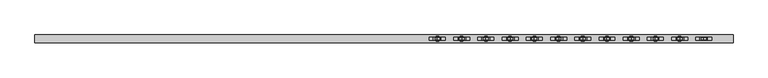
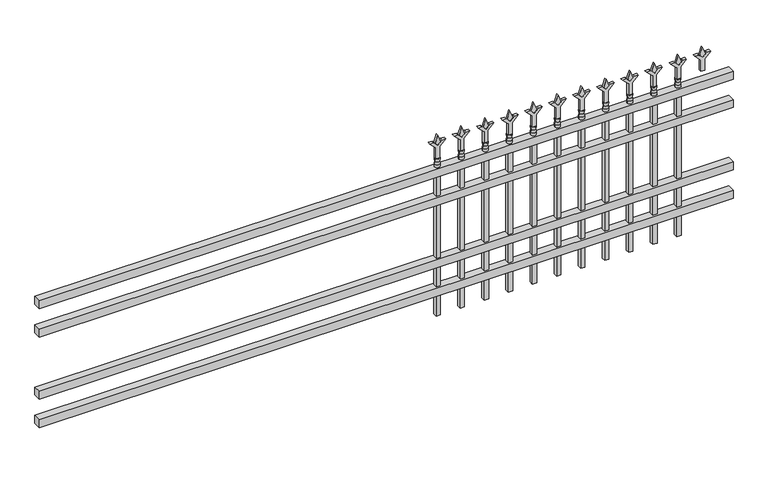
"""IFC4 building model written with IfcOpenShell, lengths in millimetres: railing geometry."""

from ifc_helpers import new_model, si_unit, frame, origin, place, context, project, spatial, polyline, circle_curve, outline, extrude, source, transform, mapped, element, save
from ifc_brep_helpers import plane_surface, cylinder_surface, revolved_surface, advanced_brep


def railing_3f491ea8(model_context):
    return source(origin(), model_context, "Body", "SolidModel", [
        extrude(outline(polyline([(-950.8050134, 7020.1574518), (-950.8050134, 7055.0824518), (2198.7949866, 7055.0824518), (2198.7949866, 7020.1574518), (-950.8050134, 7020.1574518)])), frame((0.0, 0.0, 12915.9), z_axis=(0.0, 0.0, 1.0), x_axis=(1.0, 0.0, 0.0)), (0.0, 0.0, 1.0), 38.1),
        extrude(outline(polyline([(-950.8050134, 7020.1574518), (-950.8050134, 7055.0824518), (2198.7949866, 7055.0824518), (2198.7949866, 7020.1574518), (-950.8050134, 7020.1574518)])), frame((0.0, 0.0, 12779.375), z_axis=(0.0, 0.0, 1.0), x_axis=(1.0, 0.0, 0.0)), (0.0, 0.0, 1.0), 38.1),
        extrude(outline(polyline([(-950.8050134, 7020.1574518), (-950.8050134, 7055.0824518), (2198.7949866, 7055.0824518), (2198.7949866, 7020.1574518), (-950.8050134, 7020.1574518)])), frame((0.0, 0.0, 12480.925), z_axis=(0.0, 0.0, 1.0), x_axis=(1.0, 0.0, 0.0)), (0.0, 0.0, 1.0), 38.1),
        extrude(outline(polyline([(-950.8050134, 7020.1574518), (-950.8050134, 7055.0824518), (2198.7949866, 7055.0824518), (2198.7949866, 7020.1574518), (-950.8050134, 7020.1574518)])), frame((0.0, 0.0, 12344.4), z_axis=(0.0, 0.0, 1.0), x_axis=(1.0, 0.0, 0.0)), (0.0, 0.0, 1.0), 38.1),
        extrude(outline(polyline([(13070.68125, 1969.66582), (13106.4, 1957.75957), (13070.68125, 1945.85332), (13058.775, 1957.75957), (13070.68125, 1969.66582)])), frame((0.0, 7032.8574518, 0.0), z_axis=(0.0, 1.0, 0.0), x_axis=(0.0, 0.0, 1.0)), (0.0, 0.0, 1.0), 9.525),
        extrude(outline(polyline([(12995.275, 1966.49082), (13049.5457378, 1966.49082), (13076.7355122, 1993.6805944), (13076.7355122, 1975.7200822), (13058.775, 1957.75957), (13076.7355122, 1939.7990577), (13076.7355122, 1921.8385455), (13049.5457378, 1949.02832), (12995.275, 1949.02832), (12995.275, 1966.49082)])), frame((0.0, 7031.2699518, 0.0), z_axis=(0.0, 1.0, 0.0), x_axis=(0.0, 0.0, 1.0)), (0.0, 0.0, 1.0), 12.7),
        advanced_brep(
        [(1969.66582, 7037.6199518, 12966.7), (1945.85332, 7037.6199518, 12966.7), (1945.85332, 7037.6199518, 12954.0), (1969.66582, 7037.6199518, 12954.0), (1967.4604881, 7037.6199518, 12979.2070585), (1948.0586518, 7037.6199518, 12979.2070585), (1969.66582, 7037.6199518, 12995.275), (1945.85332, 7037.6199518, 12995.275), (1957.75957, 7037.6199518, 12995.275), (1957.75957, 7037.6199518, 12954.0)],
        [
            (0, 1, circle_curve(frame((1957.75957, 7037.6199518, 12966.7), z_axis=(0.0, 0.0, -1.0), x_axis=(-1.0, 0.0, 0.0)), 11.90625)),
            (1, 2),
            (2, 3, circle_curve(frame((1957.75957, 7037.6199518, 12954.0), z_axis=(0.0, 0.0, 1.0), x_axis=(-1.0, 0.0, 0.0)), 11.90625)),
            (3, 0),
            (1, 0, circle_curve(frame((1957.75957, 7037.6199518, 12966.7), z_axis=(0.0, 0.0, -1.0), x_axis=(-1.0, 0.0, 0.0)), 11.90625)),
            (3, 2, circle_curve(frame((1957.75957, 7037.6199518, 12954.0), z_axis=(0.0, 0.0, 1.0), x_axis=(-1.0, 0.0, 0.0)), 11.90625)),
            (4, 5, circle_curve(frame((1957.75957, 7037.6199518, 12979.2070585), z_axis=(0.0, 0.0, -1.0), x_axis=(-1.0, 0.0, 0.0)), 9.7009181)),
            (5, 1),
            (0, 4),
            (5, 4, circle_curve(frame((1957.75957, 7037.6199518, 12979.2070585), z_axis=(0.0, 0.0, -1.0), x_axis=(-1.0, 0.0, 0.0)), 9.7009181)),
            (6, 7, circle_curve(frame((1957.75957, 7037.6199518, 12995.275), z_axis=(0.0, 0.0, -1.0), x_axis=(-1.0, 0.0, 0.0)), 11.90625)),
            (7, 5),
            (4, 6),
            (7, 6, circle_curve(frame((1957.75957, 7037.6199518, 12995.275), z_axis=(0.0, 0.0, -1.0), x_axis=(-1.0, 0.0, 0.0)), 11.90625)),
            (8, 7),
            (6, 8),
            (2, 9),
            (9, 3),
        ],
        [
            cylinder_surface(frame((1957.75957, 7037.6199518, 12954.0), z_axis=(0.0, 0.0, 1.0), x_axis=(-1.0, 0.0, 0.0)), 11.90625),
            revolved_surface(polyline([(1945.85332, 7037.6199518, 12966.7), (1948.0586518, 7037.6199518, 12979.2070585)]), (1957.75957, 7037.6199518, 12954.0), (0.0, 0.0, 1.0)),
            revolved_surface(polyline([(1948.0586518, 7037.6199518, 12979.2070585), (1945.85332, 7037.6199518, 12995.275)]), (1957.75957, 7037.6199518, 12954.0), (0.0, 0.0, 1.0)),
            plane_surface(frame((1957.75957, 7037.6199518, 12995.275), z_axis=(0.0, 0.0, 1.0), x_axis=(-1.0, 0.0, 0.0))),
            plane_surface(frame((1957.75957, 7037.6199518, 12954.0), z_axis=(0.0, 0.0, -1.0), x_axis=(-1.0, 0.0, 0.0))),
        ],
        [
            (0, [[1, 2, 3, 4]]),
            (0, [[5, -4, 6, -2]]),
            (1, [[7, 8, -1, 9]]),
            (1, [[10, -9, -5, -8]]),
            (2, [[11, 12, -7, 13]]),
            (2, [[14, -13, -10, -12]]),
            (3, [[15, -11, 16]]),
            (3, [[-16, -14, -15]]),
            (4, [[-3, 17, 18]]),
            (4, [[-6, -18, -17]]),
        ],
    ),
        extrude(outline(polyline([(1948.23457, 7047.1449518), (1967.28457, 7047.1449518), (1967.28457, 7028.0949518), (1948.23457, 7028.0949518), (1948.23457, 7047.1449518)])), frame((0.0, 0.0, 12242.8), z_axis=(0.0, 0.0, 1.0), x_axis=(1.0, 0.0, 0.0)), (0.0, 0.0, 1.0), 711.2),
        extrude(outline(polyline([(13070.68125, 1860.3929033), (13106.4, 1848.4866533), (13070.68125, 1836.5804033), (13058.775, 1848.4866533), (13070.68125, 1860.3929033)])), frame((0.0, 7032.8574518, 0.0), z_axis=(0.0, 1.0, 0.0), x_axis=(0.0, 0.0, 1.0)), (0.0, 0.0, 1.0), 9.525),
        extrude(outline(polyline([(12995.275, 1857.2179033), (13049.5457378, 1857.2179033), (13076.7355122, 1884.4076778), (13076.7355122, 1866.4471655), (13058.775, 1848.4866533), (13076.7355122, 1830.526141), (13076.7355122, 1812.5656288), (13049.5457378, 1839.7554033), (12995.275, 1839.7554033), (12995.275, 1857.2179033)])), frame((0.0, 7031.2699518, 0.0), z_axis=(0.0, 1.0, 0.0), x_axis=(0.0, 0.0, 1.0)), (0.0, 0.0, 1.0), 12.7),
        advanced_brep(
        [(1860.3929033, 7037.6199518, 12966.7), (1836.5804033, 7037.6199518, 12966.7), (1836.5804033, 7037.6199518, 12954.0), (1860.3929033, 7037.6199518, 12954.0), (1858.1875714, 7037.6199518, 12979.2070585), (1838.7857351, 7037.6199518, 12979.2070585), (1860.3929033, 7037.6199518, 12995.275), (1836.5804033, 7037.6199518, 12995.275), (1848.4866533, 7037.6199518, 12995.275), (1848.4866533, 7037.6199518, 12954.0)],
        [
            (0, 1, circle_curve(frame((1848.4866533, 7037.6199518, 12966.7), z_axis=(0.0, 0.0, -1.0), x_axis=(-1.0, 0.0, 0.0)), 11.90625)),
            (1, 2),
            (2, 3, circle_curve(frame((1848.4866533, 7037.6199518, 12954.0), z_axis=(0.0, 0.0, 1.0), x_axis=(-1.0, 0.0, 0.0)), 11.90625)),
            (3, 0),
            (1, 0, circle_curve(frame((1848.4866533, 7037.6199518, 12966.7), z_axis=(0.0, 0.0, -1.0), x_axis=(-1.0, 0.0, 0.0)), 11.90625)),
            (3, 2, circle_curve(frame((1848.4866533, 7037.6199518, 12954.0), z_axis=(0.0, 0.0, 1.0), x_axis=(-1.0, 0.0, 0.0)), 11.90625)),
            (4, 5, circle_curve(frame((1848.4866533, 7037.6199518, 12979.2070585), z_axis=(0.0, 0.0, -1.0), x_axis=(-1.0, 0.0, 0.0)), 9.7009181)),
            (5, 1),
            (0, 4),
            (5, 4, circle_curve(frame((1848.4866533, 7037.6199518, 12979.2070585), z_axis=(0.0, 0.0, -1.0), x_axis=(-1.0, 0.0, 0.0)), 9.7009181)),
            (6, 7, circle_curve(frame((1848.4866533, 7037.6199518, 12995.275), z_axis=(0.0, 0.0, -1.0), x_axis=(-1.0, 0.0, 0.0)), 11.90625)),
            (7, 5),
            (4, 6),
            (7, 6, circle_curve(frame((1848.4866533, 7037.6199518, 12995.275), z_axis=(0.0, 0.0, -1.0), x_axis=(-1.0, 0.0, 0.0)), 11.90625)),
            (8, 7),
            (6, 8),
            (2, 9),
            (9, 3),
        ],
        [
            cylinder_surface(frame((1848.4866533, 7037.6199518, 12954.0), z_axis=(0.0, 0.0, 1.0), x_axis=(-1.0, 0.0, 0.0)), 11.90625),
            revolved_surface(polyline([(1836.5804033, 7037.6199518, 12966.7), (1838.7857351, 7037.6199518, 12979.2070585)]), (1848.4866533, 7037.6199518, 12954.0), (0.0, 0.0, 1.0)),
            revolved_surface(polyline([(1838.7857351, 7037.6199518, 12979.2070585), (1836.5804033, 7037.6199518, 12995.275)]), (1848.4866533, 7037.6199518, 12954.0), (0.0, 0.0, 1.0)),
            plane_surface(frame((1848.4866533, 7037.6199518, 12995.275), z_axis=(0.0, 0.0, 1.0), x_axis=(-1.0, 0.0, 0.0))),
            plane_surface(frame((1848.4866533, 7037.6199518, 12954.0), z_axis=(0.0, 0.0, -1.0), x_axis=(-1.0, 0.0, 0.0))),
        ],
        [
            (0, [[1, 2, 3, 4]]),
            (0, [[5, -4, 6, -2]]),
            (1, [[7, 8, -1, 9]]),
            (1, [[10, -9, -5, -8]]),
            (2, [[11, 12, -7, 13]]),
            (2, [[14, -13, -10, -12]]),
            (3, [[15, -11, 16]]),
            (3, [[-16, -14, -15]]),
            (4, [[-3, 17, 18]]),
            (4, [[-6, -18, -17]]),
        ],
    ),
        extrude(outline(polyline([(1838.9616533, 7047.1449518), (1858.0116533, 7047.1449518), (1858.0116533, 7028.0949518), (1838.9616533, 7028.0949518), (1838.9616533, 7047.1449518)])), frame((0.0, 0.0, 12242.8), z_axis=(0.0, 0.0, 1.0), x_axis=(1.0, 0.0, 0.0)), (0.0, 0.0, 1.0), 711.2),
        extrude(outline(polyline([(13070.68125, 1751.1199866), (13106.4, 1739.2137366), (13070.68125, 1727.3074866), (13058.775, 1739.2137366), (13070.68125, 1751.1199866)])), frame((0.0, 7032.8574518, 0.0), z_axis=(0.0, 1.0, 0.0), x_axis=(0.0, 0.0, 1.0)), (0.0, 0.0, 1.0), 9.525),
        extrude(outline(polyline([(12995.275, 1747.9449866), (13049.5457378, 1747.9449866), (13076.7355122, 1775.1347611), (13076.7355122, 1757.1742489), (13058.775, 1739.2137366), (13076.7355122, 1721.2532244), (13076.7355122, 1703.2927121), (13049.5457378, 1730.4824866), (12995.275, 1730.4824866), (12995.275, 1747.9449866)])), frame((0.0, 7031.2699518, 0.0), z_axis=(0.0, 1.0, 0.0), x_axis=(0.0, 0.0, 1.0)), (0.0, 0.0, 1.0), 12.7),
        advanced_brep(
        [(1751.1199866, 7037.6199518, 12966.7), (1727.3074866, 7037.6199518, 12966.7), (1727.3074866, 7037.6199518, 12954.0), (1751.1199866, 7037.6199518, 12954.0), (1748.9146548, 7037.6199518, 12979.2070585), (1729.5128185, 7037.6199518, 12979.2070585), (1751.1199866, 7037.6199518, 12995.275), (1727.3074866, 7037.6199518, 12995.275), (1739.2137366, 7037.6199518, 12995.275), (1739.2137366, 7037.6199518, 12954.0)],
        [
            (0, 1, circle_curve(frame((1739.2137366, 7037.6199518, 12966.7), z_axis=(0.0, 0.0, -1.0), x_axis=(-1.0, 0.0, 0.0)), 11.90625)),
            (1, 2),
            (2, 3, circle_curve(frame((1739.2137366, 7037.6199518, 12954.0), z_axis=(0.0, 0.0, 1.0), x_axis=(-1.0, 0.0, 0.0)), 11.90625)),
            (3, 0),
            (1, 0, circle_curve(frame((1739.2137366, 7037.6199518, 12966.7), z_axis=(0.0, 0.0, -1.0), x_axis=(-1.0, 0.0, 0.0)), 11.90625)),
            (3, 2, circle_curve(frame((1739.2137366, 7037.6199518, 12954.0), z_axis=(0.0, 0.0, 1.0), x_axis=(-1.0, 0.0, 0.0)), 11.90625)),
            (4, 5, circle_curve(frame((1739.2137366, 7037.6199518, 12979.2070585), z_axis=(0.0, 0.0, -1.0), x_axis=(-1.0, 0.0, 0.0)), 9.7009181)),
            (5, 1),
            (0, 4),
            (5, 4, circle_curve(frame((1739.2137366, 7037.6199518, 12979.2070585), z_axis=(0.0, 0.0, -1.0), x_axis=(-1.0, 0.0, 0.0)), 9.7009181)),
            (6, 7, circle_curve(frame((1739.2137366, 7037.6199518, 12995.275), z_axis=(0.0, 0.0, -1.0), x_axis=(-1.0, 0.0, 0.0)), 11.90625)),
            (7, 5),
            (4, 6),
            (7, 6, circle_curve(frame((1739.2137366, 7037.6199518, 12995.275), z_axis=(0.0, 0.0, -1.0), x_axis=(-1.0, 0.0, 0.0)), 11.90625)),
            (8, 7),
            (6, 8),
            (2, 9),
            (9, 3),
        ],
        [
            cylinder_surface(frame((1739.2137366, 7037.6199518, 12954.0), z_axis=(0.0, 0.0, 1.0), x_axis=(-1.0, 0.0, 0.0)), 11.90625),
            revolved_surface(polyline([(1727.3074866, 7037.6199518, 12966.7), (1729.5128185, 7037.6199518, 12979.2070585)]), (1739.2137366, 7037.6199518, 12954.0), (0.0, 0.0, 1.0)),
            revolved_surface(polyline([(1729.5128185, 7037.6199518, 12979.2070585), (1727.3074866, 7037.6199518, 12995.275)]), (1739.2137366, 7037.6199518, 12954.0), (0.0, 0.0, 1.0)),
            plane_surface(frame((1739.2137366, 7037.6199518, 12995.275), z_axis=(0.0, 0.0, 1.0), x_axis=(-1.0, 0.0, 0.0))),
            plane_surface(frame((1739.2137366, 7037.6199518, 12954.0), z_axis=(0.0, 0.0, -1.0), x_axis=(-1.0, 0.0, 0.0))),
        ],
        [
            (0, [[1, 2, 3, 4]]),
            (0, [[5, -4, 6, -2]]),
            (1, [[7, 8, -1, 9]]),
            (1, [[10, -9, -5, -8]]),
            (2, [[11, 12, -7, 13]]),
            (2, [[14, -13, -10, -12]]),
            (3, [[15, -11, 16]]),
            (3, [[-16, -14, -15]]),
            (4, [[-3, 17, 18]]),
            (4, [[-6, -18, -17]]),
        ],
    ),
        extrude(outline(polyline([(1729.6887366, 7047.1449518), (1748.7387366, 7047.1449518), (1748.7387366, 7028.0949518), (1729.6887366, 7028.0949518), (1729.6887366, 7047.1449518)])), frame((0.0, 0.0, 12242.8), z_axis=(0.0, 0.0, 1.0), x_axis=(1.0, 0.0, 0.0)), (0.0, 0.0, 1.0), 711.2),
        extrude(outline(polyline([(13070.68125, 1641.84707), (13106.4, 1629.94082), (13070.68125, 1618.03457), (13058.775, 1629.94082), (13070.68125, 1641.84707)])), frame((0.0, 7032.8574518, 0.0), z_axis=(0.0, 1.0, 0.0), x_axis=(0.0, 0.0, 1.0)), (0.0, 0.0, 1.0), 9.525),
        extrude(outline(polyline([(12995.275, 1638.67207), (13049.5457378, 1638.67207), (13076.7355122, 1665.8618444), (13076.7355122, 1647.9013322), (13058.775, 1629.94082), (13076.7355122, 1611.9803077), (13076.7355122, 1594.0197955), (13049.5457378, 1621.20957), (12995.275, 1621.20957), (12995.275, 1638.67207)])), frame((0.0, 7031.2699518, 0.0), z_axis=(0.0, 1.0, 0.0), x_axis=(0.0, 0.0, 1.0)), (0.0, 0.0, 1.0), 12.7),
        advanced_brep(
        [(1641.84707, 7037.6199518, 12966.7), (1618.03457, 7037.6199518, 12966.7), (1618.03457, 7037.6199518, 12954.0), (1641.84707, 7037.6199518, 12954.0), (1639.6417381, 7037.6199518, 12979.2070585), (1620.2399018, 7037.6199518, 12979.2070585), (1641.84707, 7037.6199518, 12995.275), (1618.03457, 7037.6199518, 12995.275), (1629.94082, 7037.6199518, 12995.275), (1629.94082, 7037.6199518, 12954.0)],
        [
            (0, 1, circle_curve(frame((1629.94082, 7037.6199518, 12966.7), z_axis=(0.0, 0.0, -1.0), x_axis=(-1.0, 0.0, 0.0)), 11.90625)),
            (1, 2),
            (2, 3, circle_curve(frame((1629.94082, 7037.6199518, 12954.0), z_axis=(0.0, 0.0, 1.0), x_axis=(-1.0, 0.0, 0.0)), 11.90625)),
            (3, 0),
            (1, 0, circle_curve(frame((1629.94082, 7037.6199518, 12966.7), z_axis=(0.0, 0.0, -1.0), x_axis=(-1.0, 0.0, 0.0)), 11.90625)),
            (3, 2, circle_curve(frame((1629.94082, 7037.6199518, 12954.0), z_axis=(0.0, 0.0, 1.0), x_axis=(-1.0, 0.0, 0.0)), 11.90625)),
            (4, 5, circle_curve(frame((1629.94082, 7037.6199518, 12979.2070585), z_axis=(0.0, 0.0, -1.0), x_axis=(-1.0, 0.0, 0.0)), 9.7009181)),
            (5, 1),
            (0, 4),
            (5, 4, circle_curve(frame((1629.94082, 7037.6199518, 12979.2070585), z_axis=(0.0, 0.0, -1.0), x_axis=(-1.0, 0.0, 0.0)), 9.7009181)),
            (6, 7, circle_curve(frame((1629.94082, 7037.6199518, 12995.275), z_axis=(0.0, 0.0, -1.0), x_axis=(-1.0, 0.0, 0.0)), 11.90625)),
            (7, 5),
            (4, 6),
            (7, 6, circle_curve(frame((1629.94082, 7037.6199518, 12995.275), z_axis=(0.0, 0.0, -1.0), x_axis=(-1.0, 0.0, 0.0)), 11.90625)),
            (8, 7),
            (6, 8),
            (2, 9),
            (9, 3),
        ],
        [
            cylinder_surface(frame((1629.94082, 7037.6199518, 12954.0), z_axis=(0.0, 0.0, 1.0), x_axis=(-1.0, 0.0, 0.0)), 11.90625),
            revolved_surface(polyline([(1618.03457, 7037.6199518, 12966.7), (1620.2399018, 7037.6199518, 12979.2070585)]), (1629.94082, 7037.6199518, 12954.0), (0.0, 0.0, 1.0)),
            revolved_surface(polyline([(1620.2399018, 7037.6199518, 12979.2070585), (1618.03457, 7037.6199518, 12995.275)]), (1629.94082, 7037.6199518, 12954.0), (0.0, 0.0, 1.0)),
            plane_surface(frame((1629.94082, 7037.6199518, 12995.275), z_axis=(0.0, 0.0, 1.0), x_axis=(-1.0, 0.0, 0.0))),
            plane_surface(frame((1629.94082, 7037.6199518, 12954.0), z_axis=(0.0, 0.0, -1.0), x_axis=(-1.0, 0.0, 0.0))),
        ],
        [
            (0, [[1, 2, 3, 4]]),
            (0, [[5, -4, 6, -2]]),
            (1, [[7, 8, -1, 9]]),
            (1, [[10, -9, -5, -8]]),
            (2, [[11, 12, -7, 13]]),
            (2, [[14, -13, -10, -12]]),
            (3, [[15, -11, 16]]),
            (3, [[-16, -14, -15]]),
            (4, [[-3, 17, 18]]),
            (4, [[-6, -18, -17]]),
        ],
    ),
        extrude(outline(polyline([(1620.41582, 7047.1449518), (1639.46582, 7047.1449518), (1639.46582, 7028.0949518), (1620.41582, 7028.0949518), (1620.41582, 7047.1449518)])), frame((0.0, 0.0, 12242.8), z_axis=(0.0, 0.0, 1.0), x_axis=(1.0, 0.0, 0.0)), (0.0, 0.0, 1.0), 711.2),
        extrude(outline(polyline([(13070.68125, 1532.5741533), (13106.4, 1520.6679033), (13070.68125, 1508.7616533), (13058.775, 1520.6679033), (13070.68125, 1532.5741533)])), frame((0.0, 7032.8574518, 0.0), z_axis=(0.0, 1.0, 0.0), x_axis=(0.0, 0.0, 1.0)), (0.0, 0.0, 1.0), 9.525),
        extrude(outline(polyline([(12995.275, 1529.3991533), (13049.5457378, 1529.3991533), (13076.7355122, 1556.5889278), (13076.7355122, 1538.6284155), (13058.775, 1520.6679033), (13076.7355122, 1502.707391), (13076.7355122, 1484.7468788), (13049.5457378, 1511.9366533), (12995.275, 1511.9366533), (12995.275, 1529.3991533)])), frame((0.0, 7031.2699518, 0.0), z_axis=(0.0, 1.0, 0.0), x_axis=(0.0, 0.0, 1.0)), (0.0, 0.0, 1.0), 12.7),
        advanced_brep(
        [(1532.5741533, 7037.6199518, 12966.7), (1508.7616533, 7037.6199518, 12966.7), (1508.7616533, 7037.6199518, 12954.0), (1532.5741533, 7037.6199518, 12954.0), (1530.3688214, 7037.6199518, 12979.2070585), (1510.9669851, 7037.6199518, 12979.2070585), (1532.5741533, 7037.6199518, 12995.275), (1508.7616533, 7037.6199518, 12995.275), (1520.6679033, 7037.6199518, 12995.275), (1520.6679033, 7037.6199518, 12954.0)],
        [
            (0, 1, circle_curve(frame((1520.6679033, 7037.6199518, 12966.7), z_axis=(0.0, 0.0, -1.0), x_axis=(-1.0, 0.0, 0.0)), 11.90625)),
            (1, 2),
            (2, 3, circle_curve(frame((1520.6679033, 7037.6199518, 12954.0), z_axis=(0.0, 0.0, 1.0), x_axis=(-1.0, 0.0, 0.0)), 11.90625)),
            (3, 0),
            (1, 0, circle_curve(frame((1520.6679033, 7037.6199518, 12966.7), z_axis=(0.0, 0.0, -1.0), x_axis=(-1.0, 0.0, 0.0)), 11.90625)),
            (3, 2, circle_curve(frame((1520.6679033, 7037.6199518, 12954.0), z_axis=(0.0, 0.0, 1.0), x_axis=(-1.0, 0.0, 0.0)), 11.90625)),
            (4, 5, circle_curve(frame((1520.6679033, 7037.6199518, 12979.2070585), z_axis=(0.0, 0.0, -1.0), x_axis=(-1.0, 0.0, 0.0)), 9.7009181)),
            (5, 1),
            (0, 4),
            (5, 4, circle_curve(frame((1520.6679033, 7037.6199518, 12979.2070585), z_axis=(0.0, 0.0, -1.0), x_axis=(-1.0, 0.0, 0.0)), 9.7009181)),
            (6, 7, circle_curve(frame((1520.6679033, 7037.6199518, 12995.275), z_axis=(0.0, 0.0, -1.0), x_axis=(-1.0, 0.0, 0.0)), 11.90625)),
            (7, 5),
            (4, 6),
            (7, 6, circle_curve(frame((1520.6679033, 7037.6199518, 12995.275), z_axis=(0.0, 0.0, -1.0), x_axis=(-1.0, 0.0, 0.0)), 11.90625)),
            (8, 7),
            (6, 8),
            (2, 9),
            (9, 3),
        ],
        [
            cylinder_surface(frame((1520.6679033, 7037.6199518, 12954.0), z_axis=(0.0, 0.0, 1.0), x_axis=(-1.0, 0.0, 0.0)), 11.90625),
            revolved_surface(polyline([(1508.7616533, 7037.6199518, 12966.7), (1510.9669851, 7037.6199518, 12979.2070585)]), (1520.6679033, 7037.6199518, 12954.0), (0.0, 0.0, 1.0)),
            revolved_surface(polyline([(1510.9669851, 7037.6199518, 12979.2070585), (1508.7616533, 7037.6199518, 12995.275)]), (1520.6679033, 7037.6199518, 12954.0), (0.0, 0.0, 1.0)),
            plane_surface(frame((1520.6679033, 7037.6199518, 12995.275), z_axis=(0.0, 0.0, 1.0), x_axis=(-1.0, 0.0, 0.0))),
            plane_surface(frame((1520.6679033, 7037.6199518, 12954.0), z_axis=(0.0, 0.0, -1.0), x_axis=(-1.0, 0.0, 0.0))),
        ],
        [
            (0, [[1, 2, 3, 4]]),
            (0, [[5, -4, 6, -2]]),
            (1, [[7, 8, -1, 9]]),
            (1, [[10, -9, -5, -8]]),
            (2, [[11, 12, -7, 13]]),
            (2, [[14, -13, -10, -12]]),
            (3, [[15, -11, 16]]),
            (3, [[-16, -14, -15]]),
            (4, [[-3, 17, 18]]),
            (4, [[-6, -18, -17]]),
        ],
    ),
        extrude(outline(polyline([(1511.1429033, 7047.1449518), (1530.1929033, 7047.1449518), (1530.1929033, 7028.0949518), (1511.1429033, 7028.0949518), (1511.1429033, 7047.1449518)])), frame((0.0, 0.0, 12242.8), z_axis=(0.0, 0.0, 1.0), x_axis=(1.0, 0.0, 0.0)), (0.0, 0.0, 1.0), 711.2),
        extrude(outline(polyline([(13070.68125, 1423.3012366), (13106.4, 1411.3949866), (13070.68125, 1399.4887366), (13058.775, 1411.3949866), (13070.68125, 1423.3012366)])), frame((0.0, 7032.8574518, 0.0), z_axis=(0.0, 1.0, 0.0), x_axis=(0.0, 0.0, 1.0)), (0.0, 0.0, 1.0), 9.525),
        extrude(outline(polyline([(12995.275, 1420.1262366), (13049.5457378, 1420.1262366), (13076.7355122, 1447.3160111), (13076.7355122, 1429.3554989), (13058.775, 1411.3949866), (13076.7355122, 1393.4344744), (13076.7355122, 1375.4739621), (13049.5457378, 1402.6637366), (12995.275, 1402.6637366), (12995.275, 1420.1262366)])), frame((0.0, 7031.2699518, 0.0), z_axis=(0.0, 1.0, 0.0), x_axis=(0.0, 0.0, 1.0)), (0.0, 0.0, 1.0), 12.7),
        advanced_brep(
        [(1423.3012366, 7037.6199518, 12966.7), (1399.4887366, 7037.6199518, 12966.7), (1399.4887366, 7037.6199518, 12954.0), (1423.3012366, 7037.6199518, 12954.0), (1421.0959048, 7037.6199518, 12979.2070585), (1401.6940685, 7037.6199518, 12979.2070585), (1423.3012366, 7037.6199518, 12995.275), (1399.4887366, 7037.6199518, 12995.275), (1411.3949866, 7037.6199518, 12995.275), (1411.3949866, 7037.6199518, 12954.0)],
        [
            (0, 1, circle_curve(frame((1411.3949866, 7037.6199518, 12966.7), z_axis=(0.0, 0.0, -1.0), x_axis=(-1.0, 0.0, 0.0)), 11.90625)),
            (1, 2),
            (2, 3, circle_curve(frame((1411.3949866, 7037.6199518, 12954.0), z_axis=(0.0, 0.0, 1.0), x_axis=(-1.0, 0.0, 0.0)), 11.90625)),
            (3, 0),
            (1, 0, circle_curve(frame((1411.3949866, 7037.6199518, 12966.7), z_axis=(0.0, 0.0, -1.0), x_axis=(-1.0, 0.0, 0.0)), 11.90625)),
            (3, 2, circle_curve(frame((1411.3949866, 7037.6199518, 12954.0), z_axis=(0.0, 0.0, 1.0), x_axis=(-1.0, 0.0, 0.0)), 11.90625)),
            (4, 5, circle_curve(frame((1411.3949866, 7037.6199518, 12979.2070585), z_axis=(0.0, 0.0, -1.0), x_axis=(-1.0, 0.0, 0.0)), 9.7009181)),
            (5, 1),
            (0, 4),
            (5, 4, circle_curve(frame((1411.3949866, 7037.6199518, 12979.2070585), z_axis=(0.0, 0.0, -1.0), x_axis=(-1.0, 0.0, 0.0)), 9.7009181)),
            (6, 7, circle_curve(frame((1411.3949866, 7037.6199518, 12995.275), z_axis=(0.0, 0.0, -1.0), x_axis=(-1.0, 0.0, 0.0)), 11.90625)),
            (7, 5),
            (4, 6),
            (7, 6, circle_curve(frame((1411.3949866, 7037.6199518, 12995.275), z_axis=(0.0, 0.0, -1.0), x_axis=(-1.0, 0.0, 0.0)), 11.90625)),
            (8, 7),
            (6, 8),
            (2, 9),
            (9, 3),
        ],
        [
            cylinder_surface(frame((1411.3949866, 7037.6199518, 12954.0), z_axis=(0.0, 0.0, 1.0), x_axis=(-1.0, 0.0, 0.0)), 11.90625),
            revolved_surface(polyline([(1399.4887366, 7037.6199518, 12966.7), (1401.6940685, 7037.6199518, 12979.2070585)]), (1411.3949866, 7037.6199518, 12954.0), (0.0, 0.0, 1.0)),
            revolved_surface(polyline([(1401.6940685, 7037.6199518, 12979.2070585), (1399.4887366, 7037.6199518, 12995.275)]), (1411.3949866, 7037.6199518, 12954.0), (0.0, 0.0, 1.0)),
            plane_surface(frame((1411.3949866, 7037.6199518, 12995.275), z_axis=(0.0, 0.0, 1.0), x_axis=(-1.0, 0.0, 0.0))),
            plane_surface(frame((1411.3949866, 7037.6199518, 12954.0), z_axis=(0.0, 0.0, -1.0), x_axis=(-1.0, 0.0, 0.0))),
        ],
        [
            (0, [[1, 2, 3, 4]]),
            (0, [[5, -4, 6, -2]]),
            (1, [[7, 8, -1, 9]]),
            (1, [[10, -9, -5, -8]]),
            (2, [[11, 12, -7, 13]]),
            (2, [[14, -13, -10, -12]]),
            (3, [[15, -11, 16]]),
            (3, [[-16, -14, -15]]),
            (4, [[-3, 17, 18]]),
            (4, [[-6, -18, -17]]),
        ],
    ),
        extrude(outline(polyline([(1401.8699866, 7047.1449518), (1420.9199866, 7047.1449518), (1420.9199866, 7028.0949518), (1401.8699866, 7028.0949518), (1401.8699866, 7047.1449518)])), frame((0.0, 0.0, 12242.8), z_axis=(0.0, 0.0, 1.0), x_axis=(1.0, 0.0, 0.0)), (0.0, 0.0, 1.0), 711.2),
        extrude(outline(polyline([(13070.68125, 1314.02832), (13106.4, 1302.12207), (13070.68125, 1290.21582), (13058.775, 1302.12207), (13070.68125, 1314.02832)])), frame((0.0, 7032.8574518, 0.0), z_axis=(0.0, 1.0, 0.0), x_axis=(0.0, 0.0, 1.0)), (0.0, 0.0, 1.0), 9.525),
        extrude(outline(polyline([(12995.275, 1310.85332), (13049.5457378, 1310.85332), (13076.7355122, 1338.0430944), (13076.7355122, 1320.0825822), (13058.775, 1302.12207), (13076.7355122, 1284.1615577), (13076.7355122, 1266.2010455), (13049.5457378, 1293.39082), (12995.275, 1293.39082), (12995.275, 1310.85332)])), frame((0.0, 7031.2699518, 0.0), z_axis=(0.0, 1.0, 0.0), x_axis=(0.0, 0.0, 1.0)), (0.0, 0.0, 1.0), 12.7),
        advanced_brep(
        [(1314.02832, 7037.6199518, 12966.7), (1290.21582, 7037.6199518, 12966.7), (1290.21582, 7037.6199518, 12954.0), (1314.02832, 7037.6199518, 12954.0), (1311.8229881, 7037.6199518, 12979.2070585), (1292.4211518, 7037.6199518, 12979.2070585), (1314.02832, 7037.6199518, 12995.275), (1290.21582, 7037.6199518, 12995.275), (1302.12207, 7037.6199518, 12995.275), (1302.12207, 7037.6199518, 12954.0)],
        [
            (0, 1, circle_curve(frame((1302.12207, 7037.6199518, 12966.7), z_axis=(0.0, 0.0, -1.0), x_axis=(-1.0, 0.0, 0.0)), 11.90625)),
            (1, 2),
            (2, 3, circle_curve(frame((1302.12207, 7037.6199518, 12954.0), z_axis=(0.0, 0.0, 1.0), x_axis=(-1.0, 0.0, 0.0)), 11.90625)),
            (3, 0),
            (1, 0, circle_curve(frame((1302.12207, 7037.6199518, 12966.7), z_axis=(0.0, 0.0, -1.0), x_axis=(-1.0, 0.0, 0.0)), 11.90625)),
            (3, 2, circle_curve(frame((1302.12207, 7037.6199518, 12954.0), z_axis=(0.0, 0.0, 1.0), x_axis=(-1.0, 0.0, 0.0)), 11.90625)),
            (4, 5, circle_curve(frame((1302.12207, 7037.6199518, 12979.2070585), z_axis=(0.0, 0.0, -1.0), x_axis=(-1.0, 0.0, 0.0)), 9.7009181)),
            (5, 1),
            (0, 4),
            (5, 4, circle_curve(frame((1302.12207, 7037.6199518, 12979.2070585), z_axis=(0.0, 0.0, -1.0), x_axis=(-1.0, 0.0, 0.0)), 9.7009181)),
            (6, 7, circle_curve(frame((1302.12207, 7037.6199518, 12995.275), z_axis=(0.0, 0.0, -1.0), x_axis=(-1.0, 0.0, 0.0)), 11.90625)),
            (7, 5),
            (4, 6),
            (7, 6, circle_curve(frame((1302.12207, 7037.6199518, 12995.275), z_axis=(0.0, 0.0, -1.0), x_axis=(-1.0, 0.0, 0.0)), 11.90625)),
            (8, 7),
            (6, 8),
            (2, 9),
            (9, 3),
        ],
        [
            cylinder_surface(frame((1302.12207, 7037.6199518, 12954.0), z_axis=(0.0, 0.0, 1.0), x_axis=(-1.0, 0.0, 0.0)), 11.90625),
            revolved_surface(polyline([(1290.21582, 7037.6199518, 12966.7), (1292.4211518, 7037.6199518, 12979.2070585)]), (1302.12207, 7037.6199518, 12954.0), (0.0, 0.0, 1.0)),
            revolved_surface(polyline([(1292.4211518, 7037.6199518, 12979.2070585), (1290.21582, 7037.6199518, 12995.275)]), (1302.12207, 7037.6199518, 12954.0), (0.0, 0.0, 1.0)),
            plane_surface(frame((1302.12207, 7037.6199518, 12995.275), z_axis=(0.0, 0.0, 1.0), x_axis=(-1.0, 0.0, 0.0))),
            plane_surface(frame((1302.12207, 7037.6199518, 12954.0), z_axis=(0.0, 0.0, -1.0), x_axis=(-1.0, 0.0, 0.0))),
        ],
        [
            (0, [[1, 2, 3, 4]]),
            (0, [[5, -4, 6, -2]]),
            (1, [[7, 8, -1, 9]]),
            (1, [[10, -9, -5, -8]]),
            (2, [[11, 12, -7, 13]]),
            (2, [[14, -13, -10, -12]]),
            (3, [[15, -11, 16]]),
            (3, [[-16, -14, -15]]),
            (4, [[-3, 17, 18]]),
            (4, [[-6, -18, -17]]),
        ],
    ),
        extrude(outline(polyline([(1292.59707, 7047.1449518), (1311.64707, 7047.1449518), (1311.64707, 7028.0949518), (1292.59707, 7028.0949518), (1292.59707, 7047.1449518)])), frame((0.0, 0.0, 12242.8), z_axis=(0.0, 0.0, 1.0), x_axis=(1.0, 0.0, 0.0)), (0.0, 0.0, 1.0), 711.2),
        extrude(outline(polyline([(13070.68125, 1204.7554033), (13106.4, 1192.8491533), (13070.68125, 1180.9429033), (13058.775, 1192.8491533), (13070.68125, 1204.7554033)])), frame((0.0, 7032.8574518, 0.0), z_axis=(0.0, 1.0, 0.0), x_axis=(0.0, 0.0, 1.0)), (0.0, 0.0, 1.0), 9.525),
        extrude(outline(polyline([(12995.275, 1201.5804033), (13049.5457378, 1201.5804033), (13076.7355122, 1228.7701778), (13076.7355122, 1210.8096655), (13058.775, 1192.8491533), (13076.7355122, 1174.888641), (13076.7355122, 1156.9281288), (13049.5457378, 1184.1179033), (12995.275, 1184.1179033), (12995.275, 1201.5804033)])), frame((0.0, 7031.2699518, 0.0), z_axis=(0.0, 1.0, 0.0), x_axis=(0.0, 0.0, 1.0)), (0.0, 0.0, 1.0), 12.7),
        advanced_brep(
        [(1204.7554033, 7037.6199518, 12966.7), (1180.9429033, 7037.6199518, 12966.7), (1180.9429033, 7037.6199518, 12954.0), (1204.7554033, 7037.6199518, 12954.0), (1202.5500714, 7037.6199518, 12979.2070585), (1183.1482351, 7037.6199518, 12979.2070585), (1204.7554033, 7037.6199518, 12995.275), (1180.9429033, 7037.6199518, 12995.275), (1192.8491533, 7037.6199518, 12995.275), (1192.8491533, 7037.6199518, 12954.0)],
        [
            (0, 1, circle_curve(frame((1192.8491533, 7037.6199518, 12966.7), z_axis=(0.0, 0.0, -1.0), x_axis=(-1.0, 0.0, 0.0)), 11.90625)),
            (1, 2),
            (2, 3, circle_curve(frame((1192.8491533, 7037.6199518, 12954.0), z_axis=(0.0, 0.0, 1.0), x_axis=(-1.0, 0.0, 0.0)), 11.90625)),
            (3, 0),
            (1, 0, circle_curve(frame((1192.8491533, 7037.6199518, 12966.7), z_axis=(0.0, 0.0, -1.0), x_axis=(-1.0, 0.0, 0.0)), 11.90625)),
            (3, 2, circle_curve(frame((1192.8491533, 7037.6199518, 12954.0), z_axis=(0.0, 0.0, 1.0), x_axis=(-1.0, 0.0, 0.0)), 11.90625)),
            (4, 5, circle_curve(frame((1192.8491533, 7037.6199518, 12979.2070585), z_axis=(0.0, 0.0, -1.0), x_axis=(-1.0, 0.0, 0.0)), 9.7009181)),
            (5, 1),
            (0, 4),
            (5, 4, circle_curve(frame((1192.8491533, 7037.6199518, 12979.2070585), z_axis=(0.0, 0.0, -1.0), x_axis=(-1.0, 0.0, 0.0)), 9.7009181)),
            (6, 7, circle_curve(frame((1192.8491533, 7037.6199518, 12995.275), z_axis=(0.0, 0.0, -1.0), x_axis=(-1.0, 0.0, 0.0)), 11.90625)),
            (7, 5),
            (4, 6),
            (7, 6, circle_curve(frame((1192.8491533, 7037.6199518, 12995.275), z_axis=(0.0, 0.0, -1.0), x_axis=(-1.0, 0.0, 0.0)), 11.90625)),
            (8, 7),
            (6, 8),
            (2, 9),
            (9, 3),
        ],
        [
            cylinder_surface(frame((1192.8491533, 7037.6199518, 12954.0), z_axis=(0.0, 0.0, 1.0), x_axis=(-1.0, 0.0, 0.0)), 11.90625),
            revolved_surface(polyline([(1180.9429033, 7037.6199518, 12966.7), (1183.1482351, 7037.6199518, 12979.2070585)]), (1192.8491533, 7037.6199518, 12954.0), (0.0, 0.0, 1.0)),
            revolved_surface(polyline([(1183.1482351, 7037.6199518, 12979.2070585), (1180.9429033, 7037.6199518, 12995.275)]), (1192.8491533, 7037.6199518, 12954.0), (0.0, 0.0, 1.0)),
            plane_surface(frame((1192.8491533, 7037.6199518, 12995.275), z_axis=(0.0, 0.0, 1.0), x_axis=(-1.0, 0.0, 0.0))),
            plane_surface(frame((1192.8491533, 7037.6199518, 12954.0), z_axis=(0.0, 0.0, -1.0), x_axis=(-1.0, 0.0, 0.0))),
        ],
        [
            (0, [[1, 2, 3, 4]]),
            (0, [[5, -4, 6, -2]]),
            (1, [[7, 8, -1, 9]]),
            (1, [[10, -9, -5, -8]]),
            (2, [[11, 12, -7, 13]]),
            (2, [[14, -13, -10, -12]]),
            (3, [[15, -11, 16]]),
            (3, [[-16, -14, -15]]),
            (4, [[-3, 17, 18]]),
            (4, [[-6, -18, -17]]),
        ],
    ),
        extrude(outline(polyline([(1183.3241533, 7047.1449518), (1202.3741533, 7047.1449518), (1202.3741533, 7028.0949518), (1183.3241533, 7028.0949518), (1183.3241533, 7047.1449518)])), frame((0.0, 0.0, 12242.8), z_axis=(0.0, 0.0, 1.0), x_axis=(1.0, 0.0, 0.0)), (0.0, 0.0, 1.0), 711.2),
        extrude(outline(polyline([(13070.68125, 1095.4824866), (13106.4, 1083.5762366), (13070.68125, 1071.6699866), (13058.775, 1083.5762366), (13070.68125, 1095.4824866)])), frame((0.0, 7032.8574518, 0.0), z_axis=(0.0, 1.0, 0.0), x_axis=(0.0, 0.0, 1.0)), (0.0, 0.0, 1.0), 9.525),
        extrude(outline(polyline([(12995.275, 1092.3074866), (13049.5457378, 1092.3074866), (13076.7355122, 1119.4972611), (13076.7355122, 1101.5367489), (13058.775, 1083.5762366), (13076.7355122, 1065.6157244), (13076.7355122, 1047.6552121), (13049.5457378, 1074.8449866), (12995.275, 1074.8449866), (12995.275, 1092.3074866)])), frame((0.0, 7031.2699518, 0.0), z_axis=(0.0, 1.0, 0.0), x_axis=(0.0, 0.0, 1.0)), (0.0, 0.0, 1.0), 12.7),
        advanced_brep(
        [(1095.4824866, 7037.6199518, 12966.7), (1071.6699866, 7037.6199518, 12966.7), (1071.6699866, 7037.6199518, 12954.0), (1095.4824866, 7037.6199518, 12954.0), (1093.2771548, 7037.6199518, 12979.2070585), (1073.8753185, 7037.6199518, 12979.2070585), (1095.4824866, 7037.6199518, 12995.275), (1071.6699866, 7037.6199518, 12995.275), (1083.5762366, 7037.6199518, 12995.275), (1083.5762366, 7037.6199518, 12954.0)],
        [
            (0, 1, circle_curve(frame((1083.5762366, 7037.6199518, 12966.7), z_axis=(0.0, 0.0, -1.0), x_axis=(-1.0, 0.0, 0.0)), 11.90625)),
            (1, 2),
            (2, 3, circle_curve(frame((1083.5762366, 7037.6199518, 12954.0), z_axis=(0.0, 0.0, 1.0), x_axis=(-1.0, 0.0, 0.0)), 11.90625)),
            (3, 0),
            (1, 0, circle_curve(frame((1083.5762366, 7037.6199518, 12966.7), z_axis=(0.0, 0.0, -1.0), x_axis=(-1.0, 0.0, 0.0)), 11.90625)),
            (3, 2, circle_curve(frame((1083.5762366, 7037.6199518, 12954.0), z_axis=(0.0, 0.0, 1.0), x_axis=(-1.0, 0.0, 0.0)), 11.90625)),
            (4, 5, circle_curve(frame((1083.5762366, 7037.6199518, 12979.2070585), z_axis=(0.0, 0.0, -1.0), x_axis=(-1.0, 0.0, 0.0)), 9.7009181)),
            (5, 1),
            (0, 4),
            (5, 4, circle_curve(frame((1083.5762366, 7037.6199518, 12979.2070585), z_axis=(0.0, 0.0, -1.0), x_axis=(-1.0, 0.0, 0.0)), 9.7009181)),
            (6, 7, circle_curve(frame((1083.5762366, 7037.6199518, 12995.275), z_axis=(0.0, 0.0, -1.0), x_axis=(-1.0, 0.0, 0.0)), 11.90625)),
            (7, 5),
            (4, 6),
            (7, 6, circle_curve(frame((1083.5762366, 7037.6199518, 12995.275), z_axis=(0.0, 0.0, -1.0), x_axis=(-1.0, 0.0, 0.0)), 11.90625)),
            (8, 7),
            (6, 8),
            (2, 9),
            (9, 3),
        ],
        [
            cylinder_surface(frame((1083.5762366, 7037.6199518, 12954.0), z_axis=(0.0, 0.0, 1.0), x_axis=(-1.0, 0.0, 0.0)), 11.90625),
            revolved_surface(polyline([(1071.6699866, 7037.6199518, 12966.7), (1073.8753185, 7037.6199518, 12979.2070585)]), (1083.5762366, 7037.6199518, 12954.0), (0.0, 0.0, 1.0)),
            revolved_surface(polyline([(1073.8753185, 7037.6199518, 12979.2070585), (1071.6699866, 7037.6199518, 12995.275)]), (1083.5762366, 7037.6199518, 12954.0), (0.0, 0.0, 1.0)),
            plane_surface(frame((1083.5762366, 7037.6199518, 12995.275), z_axis=(0.0, 0.0, 1.0), x_axis=(-1.0, 0.0, 0.0))),
            plane_surface(frame((1083.5762366, 7037.6199518, 12954.0), z_axis=(0.0, 0.0, -1.0), x_axis=(-1.0, 0.0, 0.0))),
        ],
        [
            (0, [[1, 2, 3, 4]]),
            (0, [[5, -4, 6, -2]]),
            (1, [[7, 8, -1, 9]]),
            (1, [[10, -9, -5, -8]]),
            (2, [[11, 12, -7, 13]]),
            (2, [[14, -13, -10, -12]]),
            (3, [[15, -11, 16]]),
            (3, [[-16, -14, -15]]),
            (4, [[-3, 17, 18]]),
            (4, [[-6, -18, -17]]),
        ],
    ),
        extrude(outline(polyline([(1074.0512366, 7047.1449518), (1093.1012366, 7047.1449518), (1093.1012366, 7028.0949518), (1074.0512366, 7028.0949518), (1074.0512366, 7047.1449518)])), frame((0.0, 0.0, 12242.8), z_axis=(0.0, 0.0, 1.0), x_axis=(1.0, 0.0, 0.0)), (0.0, 0.0, 1.0), 711.2),
        extrude(outline(polyline([(13070.68125, 986.20957), (13106.4, 974.30332), (13070.68125, 962.39707), (13058.775, 974.30332), (13070.68125, 986.20957)])), frame((0.0, 7032.8574518, 0.0), z_axis=(0.0, 1.0, 0.0), x_axis=(0.0, 0.0, 1.0)), (0.0, 0.0, 1.0), 9.525),
        extrude(outline(polyline([(12995.275, 983.03457), (13049.5457378, 983.03457), (13076.7355122, 1010.2243444), (13076.7355122, 992.2638322), (13058.775, 974.30332), (13076.7355122, 956.3428077), (13076.7355122, 938.3822955), (13049.5457378, 965.57207), (12995.275, 965.57207), (12995.275, 983.03457)])), frame((0.0, 7031.2699518, 0.0), z_axis=(0.0, 1.0, 0.0), x_axis=(0.0, 0.0, 1.0)), (0.0, 0.0, 1.0), 12.7),
        advanced_brep(
        [(986.20957, 7037.6199518, 12966.7), (962.39707, 7037.6199518, 12966.7), (962.39707, 7037.6199518, 12954.0), (986.20957, 7037.6199518, 12954.0), (984.0042381, 7037.6199518, 12979.2070585), (964.6024018, 7037.6199518, 12979.2070585), (986.20957, 7037.6199518, 12995.275), (962.39707, 7037.6199518, 12995.275), (974.30332, 7037.6199518, 12995.275), (974.30332, 7037.6199518, 12954.0)],
        [
            (0, 1, circle_curve(frame((974.30332, 7037.6199518, 12966.7), z_axis=(0.0, 0.0, -1.0), x_axis=(-1.0, 0.0, 0.0)), 11.90625)),
            (1, 2),
            (2, 3, circle_curve(frame((974.30332, 7037.6199518, 12954.0), z_axis=(0.0, 0.0, 1.0), x_axis=(-1.0, 0.0, 0.0)), 11.90625)),
            (3, 0),
            (1, 0, circle_curve(frame((974.30332, 7037.6199518, 12966.7), z_axis=(0.0, 0.0, -1.0), x_axis=(-1.0, 0.0, 0.0)), 11.90625)),
            (3, 2, circle_curve(frame((974.30332, 7037.6199518, 12954.0), z_axis=(0.0, 0.0, 1.0), x_axis=(-1.0, 0.0, 0.0)), 11.90625)),
            (4, 5, circle_curve(frame((974.30332, 7037.6199518, 12979.2070585), z_axis=(0.0, 0.0, -1.0), x_axis=(-1.0, 0.0, 0.0)), 9.7009181)),
            (5, 1),
            (0, 4),
            (5, 4, circle_curve(frame((974.30332, 7037.6199518, 12979.2070585), z_axis=(0.0, 0.0, -1.0), x_axis=(-1.0, 0.0, 0.0)), 9.7009181)),
            (6, 7, circle_curve(frame((974.30332, 7037.6199518, 12995.275), z_axis=(0.0, 0.0, -1.0), x_axis=(-1.0, 0.0, 0.0)), 11.90625)),
            (7, 5),
            (4, 6),
            (7, 6, circle_curve(frame((974.30332, 7037.6199518, 12995.275), z_axis=(0.0, 0.0, -1.0), x_axis=(-1.0, 0.0, 0.0)), 11.90625)),
            (8, 7),
            (6, 8),
            (2, 9),
            (9, 3),
        ],
        [
            cylinder_surface(frame((974.30332, 7037.6199518, 12954.0), z_axis=(0.0, 0.0, 1.0), x_axis=(-1.0, 0.0, 0.0)), 11.90625),
            revolved_surface(polyline([(962.39707, 7037.6199518, 12966.7), (964.6024018, 7037.6199518, 12979.2070585)]), (974.30332, 7037.6199518, 12954.0), (0.0, 0.0, 1.0)),
            revolved_surface(polyline([(964.6024018, 7037.6199518, 12979.2070585), (962.39707, 7037.6199518, 12995.275)]), (974.30332, 7037.6199518, 12954.0), (0.0, 0.0, 1.0)),
            plane_surface(frame((974.30332, 7037.6199518, 12995.275), z_axis=(0.0, 0.0, 1.0), x_axis=(-1.0, 0.0, 0.0))),
            plane_surface(frame((974.30332, 7037.6199518, 12954.0), z_axis=(0.0, 0.0, -1.0), x_axis=(-1.0, 0.0, 0.0))),
        ],
        [
            (0, [[1, 2, 3, 4]]),
            (0, [[5, -4, 6, -2]]),
            (1, [[7, 8, -1, 9]]),
            (1, [[10, -9, -5, -8]]),
            (2, [[11, 12, -7, 13]]),
            (2, [[14, -13, -10, -12]]),
            (3, [[15, -11, 16]]),
            (3, [[-16, -14, -15]]),
            (4, [[-3, 17, 18]]),
            (4, [[-6, -18, -17]]),
        ],
    ),
        extrude(outline(polyline([(964.77832, 7047.1449518), (983.82832, 7047.1449518), (983.82832, 7028.0949518), (964.77832, 7028.0949518), (964.77832, 7047.1449518)])), frame((0.0, 0.0, 12242.8), z_axis=(0.0, 0.0, 1.0), x_axis=(1.0, 0.0, 0.0)), (0.0, 0.0, 1.0), 711.2),
        extrude(outline(polyline([(13070.68125, 876.9366533), (13106.4, 865.0304033), (13070.68125, 853.1241533), (13058.775, 865.0304033), (13070.68125, 876.9366533)])), frame((0.0, 7032.8574518, 0.0), z_axis=(0.0, 1.0, 0.0), x_axis=(0.0, 0.0, 1.0)), (0.0, 0.0, 1.0), 9.525),
        extrude(outline(polyline([(12995.275, 873.7616533), (13049.5457378, 873.7616533), (13076.7355122, 900.9514278), (13076.7355122, 882.9909155), (13058.775, 865.0304033), (13076.7355122, 847.069891), (13076.7355122, 829.1093788), (13049.5457378, 856.2991533), (12995.275, 856.2991533), (12995.275, 873.7616533)])), frame((0.0, 7031.2699518, 0.0), z_axis=(0.0, 1.0, 0.0), x_axis=(0.0, 0.0, 1.0)), (0.0, 0.0, 1.0), 12.7),
        advanced_brep(
        [(876.9366533, 7037.6199518, 12966.7), (853.1241533, 7037.6199518, 12966.7), (853.1241533, 7037.6199518, 12954.0), (876.9366533, 7037.6199518, 12954.0), (874.7313214, 7037.6199518, 12979.2070585), (855.3294851, 7037.6199518, 12979.2070585), (876.9366533, 7037.6199518, 12995.275), (853.1241533, 7037.6199518, 12995.275), (865.0304033, 7037.6199518, 12995.275), (865.0304033, 7037.6199518, 12954.0)],
        [
            (0, 1, circle_curve(frame((865.0304033, 7037.6199518, 12966.7), z_axis=(0.0, 0.0, -1.0), x_axis=(-1.0, 0.0, 0.0)), 11.90625)),
            (1, 2),
            (2, 3, circle_curve(frame((865.0304033, 7037.6199518, 12954.0), z_axis=(0.0, 0.0, 1.0), x_axis=(-1.0, 0.0, 0.0)), 11.90625)),
            (3, 0),
            (1, 0, circle_curve(frame((865.0304033, 7037.6199518, 12966.7), z_axis=(0.0, 0.0, -1.0), x_axis=(-1.0, 0.0, 0.0)), 11.90625)),
            (3, 2, circle_curve(frame((865.0304033, 7037.6199518, 12954.0), z_axis=(0.0, 0.0, 1.0), x_axis=(-1.0, 0.0, 0.0)), 11.90625)),
            (4, 5, circle_curve(frame((865.0304033, 7037.6199518, 12979.2070585), z_axis=(0.0, 0.0, -1.0), x_axis=(-1.0, 0.0, 0.0)), 9.7009181)),
            (5, 1),
            (0, 4),
            (5, 4, circle_curve(frame((865.0304033, 7037.6199518, 12979.2070585), z_axis=(0.0, 0.0, -1.0), x_axis=(-1.0, 0.0, 0.0)), 9.7009181)),
            (6, 7, circle_curve(frame((865.0304033, 7037.6199518, 12995.275), z_axis=(0.0, 0.0, -1.0), x_axis=(-1.0, 0.0, 0.0)), 11.90625)),
            (7, 5),
            (4, 6),
            (7, 6, circle_curve(frame((865.0304033, 7037.6199518, 12995.275), z_axis=(0.0, 0.0, -1.0), x_axis=(-1.0, 0.0, 0.0)), 11.90625)),
            (8, 7),
            (6, 8),
            (2, 9),
            (9, 3),
        ],
        [
            cylinder_surface(frame((865.0304033, 7037.6199518, 12954.0), z_axis=(0.0, 0.0, 1.0), x_axis=(-1.0, 0.0, 0.0)), 11.90625),
            revolved_surface(polyline([(853.1241533, 7037.6199518, 12966.7), (855.3294851, 7037.6199518, 12979.2070585)]), (865.0304033, 7037.6199518, 12954.0), (0.0, 0.0, 1.0)),
            revolved_surface(polyline([(855.3294851, 7037.6199518, 12979.2070585), (853.1241533, 7037.6199518, 12995.275)]), (865.0304033, 7037.6199518, 12954.0), (0.0, 0.0, 1.0)),
            plane_surface(frame((865.0304033, 7037.6199518, 12995.275), z_axis=(0.0, 0.0, 1.0), x_axis=(-1.0, 0.0, 0.0))),
            plane_surface(frame((865.0304033, 7037.6199518, 12954.0), z_axis=(0.0, 0.0, -1.0), x_axis=(-1.0, 0.0, 0.0))),
        ],
        [
            (0, [[1, 2, 3, 4]]),
            (0, [[5, -4, 6, -2]]),
            (1, [[7, 8, -1, 9]]),
            (1, [[10, -9, -5, -8]]),
            (2, [[11, 12, -7, 13]]),
            (2, [[14, -13, -10, -12]]),
            (3, [[15, -11, 16]]),
            (3, [[-16, -14, -15]]),
            (4, [[-3, 17, 18]]),
            (4, [[-6, -18, -17]]),
        ],
    ),
        extrude(outline(polyline([(855.5054033, 7047.1449518), (874.5554033, 7047.1449518), (874.5554033, 7028.0949518), (855.5054033, 7028.0949518), (855.5054033, 7047.1449518)])), frame((0.0, 0.0, 12242.8), z_axis=(0.0, 0.0, 1.0), x_axis=(1.0, 0.0, 0.0)), (0.0, 0.0, 1.0), 711.2),
        extrude(outline(polyline([(13070.68125, 2078.9387366), (13106.4, 2067.0324866), (13070.68125, 2055.1262366), (13058.775, 2067.0324866), (13070.68125, 2078.9387366)])), frame((0.0, 7032.8574518, 0.0), z_axis=(0.0, 1.0, 0.0), x_axis=(0.0, 0.0, 1.0)), (0.0, 0.0, 1.0), 9.525),
        extrude(outline(polyline([(12995.275, 2075.7637366), (13049.5457378, 2075.7637366), (13076.7355122, 2102.9535111), (13076.7355122, 2084.9929989), (13058.775, 2067.0324866), (13076.7355122, 2049.0719744), (13076.7355122, 2031.1114621), (13049.5457378, 2058.3012366), (12995.275, 2058.3012366), (12995.275, 2075.7637366)])), frame((0.0, 7031.2699518, 0.0), z_axis=(0.0, 1.0, 0.0), x_axis=(0.0, 0.0, 1.0)), (0.0, 0.0, 1.0), 12.7),
    ])


if __name__ == "__main__":
    model = new_model("IFC4")
    model_context = context("Model", 3, world=origin())
    ifc_project = project(units=[si_unit("LENGTHUNIT", "METRE", prefix="MILLI")], contexts=[model_context])
    site = spatial("IfcSite", under=ifc_project)
    building = spatial("IfcBuilding", under=site)
    placement = place(None, origin())
    railing_shape = railing_3f491ea8(model_context)
    element("IfcRailing", 1, at=placement, inside=building, context=model_context, shape_type="MappedRepresentation", body=[
        mapped(railing_shape, transform((0.0, 0.0, 0.0), x_axis=(1.0, 0.0, 0.0), y_axis=(0.0, 1.0, 0.0), z_axis=(0.0, 0.0, 1.0))),
    ])
    save(model, "model.ifc")
